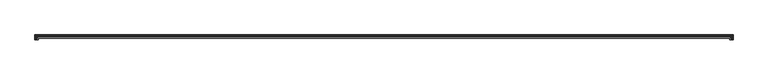
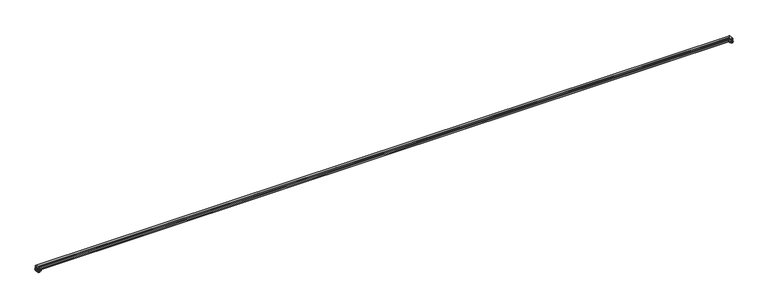
"""IFC4 building model written with IfcOpenShell, lengths in millimetres: railing geometry."""

from ifc_helpers import new_model, si_unit, frame, origin, place, context, project, spatial, polyline, circle_curve, ellipse_curve, faceted_brep, source, transform, mapped, element, save
from ifc_brep_helpers import plane_surface, cylinder_surface, revolved_surface, advanced_brep


def railing_67ba6527(model_context):
    return source(origin(), model_context, "Body", "SolidModel", [
        advanced_brep(
        [(1986.0187719, 25568.9290023, 815.9161973), (1986.0187719, 25568.9290023, 796.9838027), (-16454.6860281, 25568.9290023, 796.9838027), (-16454.6860281, 25568.9290023, 815.9161973), (1986.0187719, 25568.9290023, 807.339), (-16454.6860281, 25568.9290023, 807.339), (1983.9232719, 25566.8335023, 807.339), (-16452.5905281, 25566.8335023, 807.339), (1983.9232719, 25566.8335023, 808.4058), (-16452.5905281, 25566.8335023, 808.4058), (1982.9487911, 25565.8590215, 807.339), (-16451.6160473, 25565.8590215, 807.339), (1981.800296, 25564.7105263, 807.339), (-16450.4675521, 25564.7105263, 807.339), (1981.800296, 25564.7105263, 808.4058), (-16450.4675521, 25564.7105263, 808.4058), (1980.8258152, 25563.7360456, 807.339), (-16449.4930714, 25563.7360456, 807.339), (1979.67732, 25562.5875504, 807.339), (-16448.3445762, 25562.5875504, 807.339), (1979.67732, 25562.5875504, 808.4058), (-16448.3445762, 25562.5875504, 808.4058), (1977.8907719, 25560.8010023, 806.45), (-16446.5580281, 25560.8010023, 806.45), (1979.67732, 25562.5875504, 804.4942), (-16448.3445762, 25562.5875504, 804.4942), (1979.67732, 25562.5875504, 805.561), (-16448.3445762, 25562.5875504, 805.561), (1980.8258152, 25563.7360456, 805.561), (-16449.4930714, 25563.7360456, 805.561), (1981.800296, 25564.7105263, 804.4942), (-16450.4675521, 25564.7105263, 804.4942), (1981.800296, 25564.7105263, 805.561), (-16450.4675521, 25564.7105263, 805.561), (1982.9487911, 25565.8590215, 805.561), (-16451.6160473, 25565.8590215, 805.561), (1983.9232719, 25566.8335023, 804.4942), (-16452.5905281, 25566.8335023, 804.4942), (1983.9232719, 25566.8335023, 805.561), (-16452.5905281, 25566.8335023, 805.561), (1986.0187719, 25568.9290023, 805.561), (-16454.6860281, 25568.9290023, 805.561), (1986.0187719, 25441.7766023, 796.9838027), (1986.0187719, 25441.7766023, 815.9161973), (1986.0187719, 25441.7766023, 807.339), (1983.9232719, 25441.7766023, 807.339), (1983.9232719, 25441.7766023, 808.4058), (1982.9487911, 25441.7766023, 807.339), (1981.800296, 25441.7766023, 807.339), (1981.800296, 25441.7766023, 808.4058), (1980.8258152, 25441.7766023, 807.339), (1979.67732, 25441.7766023, 807.339), (1979.67732, 25441.7766023, 808.4058), (1977.8907719, 25441.7766023, 806.45), (1979.67732, 25441.7766023, 804.4942), (1979.67732, 25441.7766023, 805.561), (1980.8258152, 25441.7766023, 805.561), (1981.800296, 25441.7766023, 804.4942), (1981.800296, 25441.7766023, 805.561), (1982.9487911, 25441.7766023, 805.561), (1983.9232719, 25441.7766023, 804.4942), (1983.9232719, 25441.7766023, 805.561), (1986.0187719, 25441.7766023, 805.561), (-16454.6860281, 25441.7766023, 796.9838027), (-16454.6860281, 25441.7766023, 805.561), (-16452.5905281, 25441.7766023, 805.561), (-16452.5905281, 25441.7766023, 804.4942), (-16451.6160473, 25441.7766023, 805.561), (-16450.4675521, 25441.7766023, 805.561), (-16450.4675521, 25441.7766023, 804.4942), (-16449.4930714, 25441.7766023, 805.561), (-16448.3445762, 25441.7766023, 805.561), (-16448.3445762, 25441.7766023, 804.4942), (-16446.5580281, 25441.7766023, 806.45), (-16448.3445762, 25441.7766023, 808.4058), (-16448.3445762, 25441.7766023, 807.339), (-16449.4930714, 25441.7766023, 807.339), (-16450.4675521, 25441.7766023, 808.4058), (-16450.4675521, 25441.7766023, 807.339), (-16451.6160473, 25441.7766023, 807.339), (-16452.5905281, 25441.7766023, 808.4058), (-16452.5905281, 25441.7766023, 807.339), (-16454.6860281, 25441.7766023, 807.339), (-16454.6860281, 25441.7766023, 815.9161973)],
        [
            (0, 1, ellipse_curve(frame((1982.8775208, 25565.7877511, 806.45), z_axis=(-0.7071067811865461, 0.7071067811865488, 0.0), x_axis=(0.7071067811865489, 0.707106781186546, 0.0)), 14.1050594, 9.9737831)),
            (1, 2),
            (2, 3, ellipse_curve(frame((-16451.5447769, 25565.7877511, 806.45), z_axis=(0.7071067811865488, 0.7071067811865461, 0.0), x_axis=(0.7071067811865462, -0.7071067811865487, 0.0)), 14.1050594, 9.9737831)),
            (3, 0),
            (4, 0),
            (3, 5),
            (5, 4),
            (6, 4),
            (5, 7),
            (7, 6),
            (8, 6),
            (7, 9),
            (9, 8),
            (10, 8),
            (9, 11),
            (11, 10),
            (12, 10),
            (11, 13),
            (13, 12),
            (14, 12),
            (13, 15),
            (15, 14),
            (16, 14),
            (15, 17),
            (17, 16),
            (18, 16),
            (17, 19),
            (19, 18),
            (20, 18),
            (19, 21),
            (21, 20),
            (22, 20),
            (21, 23),
            (23, 22),
            (24, 22),
            (23, 25),
            (25, 24),
            (26, 24),
            (25, 27),
            (27, 26),
            (28, 26),
            (27, 29),
            (29, 28),
            (30, 28),
            (29, 31),
            (31, 30),
            (32, 30),
            (31, 33),
            (33, 32),
            (34, 32),
            (33, 35),
            (35, 34),
            (36, 34),
            (35, 37),
            (37, 36),
            (38, 36),
            (37, 39),
            (39, 38),
            (40, 38),
            (39, 41),
            (41, 40),
            (1, 40),
            (41, 2),
            (42, 43, circle_curve(frame((1982.8775208, 25441.7766023, 806.45), z_axis=(0.0, -1.0, 0.0), x_axis=(0.3457062108082324, 0.0, 0.9383428029289798)), 9.9737831)),
            (43, 44),
            (44, 45),
            (45, 46),
            (46, 47),
            (47, 48),
            (48, 49),
            (49, 50),
            (50, 51),
            (51, 52),
            (52, 53),
            (53, 54),
            (54, 55),
            (55, 56),
            (56, 57),
            (57, 58),
            (58, 59),
            (59, 60),
            (60, 61),
            (61, 62),
            (62, 42),
            (42, 1),
            (0, 43),
            (4, 44),
            (6, 45),
            (8, 46),
            (10, 47),
            (12, 48),
            (14, 49),
            (16, 50),
            (18, 51),
            (20, 52),
            (22, 53),
            (24, 54),
            (26, 55),
            (28, 56),
            (30, 57),
            (32, 58),
            (34, 59),
            (36, 60),
            (38, 61),
            (40, 62),
            (63, 64),
            (64, 65),
            (65, 66),
            (66, 67),
            (67, 68),
            (68, 69),
            (69, 70),
            (70, 71),
            (71, 72),
            (72, 73),
            (73, 74),
            (74, 75),
            (75, 76),
            (76, 77),
            (77, 78),
            (78, 79),
            (79, 80),
            (80, 81),
            (81, 82),
            (82, 83),
            (83, 63, circle_curve(frame((-16451.5447769, 25441.7766023, 806.45), z_axis=(0.0, -1.0, 0.0), x_axis=(-0.3457062108082324, 0.0, 0.9383428029289798)), 9.9737831)),
            (2, 63),
            (83, 3),
            (82, 5),
            (81, 7),
            (80, 9),
            (79, 11),
            (78, 13),
            (77, 15),
            (76, 17),
            (75, 19),
            (74, 21),
            (73, 23),
            (72, 25),
            (71, 27),
            (70, 29),
            (69, 31),
            (68, 33),
            (67, 35),
            (66, 37),
            (65, 39),
            (64, 41),
        ],
        [
            cylinder_surface(frame((1985.8663719, 25565.7877511, 806.45), z_axis=(1.0000000000000002, 0.0, 0.0), x_axis=(0.0, 0.3457062108082324, 0.9383428029289798)), 9.9737831),
            plane_surface(frame((1986.0187719, 25568.9290023, 815.9161973), z_axis=(0.0, -1.0, 0.0), x_axis=(-1.0, 0.0, 0.0))),
            plane_surface(frame((1986.0187719, 25568.9290023, 807.339), z_axis=(0.0, 0.0, 1.0), x_axis=(-1.0, 0.0, 0.0))),
            plane_surface(frame((1983.9232719, 25566.8335023, 807.339), z_axis=(0.0, 1.0, 0.0), x_axis=(-1.0, 0.0, 0.0))),
            plane_surface(frame((1983.9232719, 25566.8335023, 808.4058), z_axis=(0.0, -0.7383317776040287, 0.674437681465141), x_axis=(-1.0, 0.0, 0.0))),
            plane_surface(frame((1982.9487911, 25565.8590215, 807.339), z_axis=(0.0, 0.0, 1.0), x_axis=(-1.0, 0.0, 0.0))),
            plane_surface(frame((1981.800296, 25564.7105263, 807.339), z_axis=(0.0, 1.0, 0.0), x_axis=(-1.0, 0.0, 0.0))),
            plane_surface(frame((1981.800296, 25564.7105263, 808.4058), z_axis=(0.0, -0.7383317776039354, 0.6744376814652432), x_axis=(-1.0, 0.0, 0.0))),
            plane_surface(frame((1980.8258152, 25563.7360456, 807.339), z_axis=(0.0, 0.0, 1.0), x_axis=(-1.0, 0.0, 0.0))),
            plane_surface(frame((1979.67732, 25562.5875504, 807.339), z_axis=(0.0, 1.0, 0.0), x_axis=(-1.0, 0.0, 0.0))),
            plane_surface(frame((1979.67732, 25562.5875504, 808.4058), z_axis=(0.0, -0.738331777604045, 0.6744376814651233), x_axis=(-1.0, 0.0, 0.0))),
            plane_surface(frame((1977.8907719, 25560.8010023, 806.45), z_axis=(0.0, -0.738331777604045, -0.6744376814651233), x_axis=(-1.0, 0.0, 0.0))),
            plane_surface(frame((1979.67732, 25562.5875504, 804.4942), z_axis=(0.0, 1.0, 0.0), x_axis=(-1.0, 0.0, 0.0))),
            plane_surface(frame((1979.67732, 25562.5875504, 805.561), z_axis=(0.0, 0.0, -1.0), x_axis=(-1.0, 0.0, 0.0))),
            plane_surface(frame((1980.8258152, 25563.7360456, 805.561), z_axis=(0.0, -0.738331777604122, -0.674437681465039), x_axis=(-1.0, 0.0, 0.0))),
            plane_surface(frame((1981.800296, 25564.7105263, 804.4942), z_axis=(0.0, 1.0, 0.0), x_axis=(-1.0, 0.0, 0.0))),
            plane_surface(frame((1981.800296, 25564.7105263, 805.561), z_axis=(0.0, 0.0, -1.0), x_axis=(-1.0, 0.0, 0.0))),
            plane_surface(frame((1982.9487911, 25565.8590215, 805.561), z_axis=(0.0, -0.7383317776039354, -0.6744376814652432), x_axis=(-1.0, 0.0, 0.0))),
            plane_surface(frame((1983.9232719, 25566.8335023, 804.4942), z_axis=(0.0, 1.0, 0.0), x_axis=(-1.0, 0.0, 0.0))),
            plane_surface(frame((1983.9232719, 25566.8335023, 805.561), z_axis=(0.0, 0.0, -1.0), x_axis=(-1.0, 0.0, 0.0))),
            plane_surface(frame((1986.0187719, 25568.9290023, 805.561), z_axis=(0.0, -1.0, 0.0), x_axis=(-1.0, 0.0, 0.0))),
            plane_surface(frame((1985.8663719, 25441.7766023, 914.4), z_axis=(0.0, -1.0, 0.0), x_axis=(0.0, 0.0, 1.0))),
            cylinder_surface(frame((1982.8775208, 25441.7766023, 806.45), z_axis=(0.0, -1.0000000000000002, 0.0), x_axis=(0.3457062108082324, 0.0, 0.9383428029289798)), 9.9737831),
            plane_surface(frame((1986.0187719, 25441.7766023, 815.9161973), z_axis=(-1.0, 0.0, 0.0), x_axis=(0.0, 1.0, 0.0))),
            plane_surface(frame((1986.0187719, 25441.7766023, 807.339), z_axis=(0.0, 0.0, 1.0), x_axis=(0.0, 1.0, 0.0))),
            plane_surface(frame((1983.9232719, 25441.7766023, 807.339), z_axis=(1.0, 0.0, 0.0), x_axis=(0.0, 1.0, 0.0))),
            plane_surface(frame((1983.9232719, 25441.7766023, 808.4058), z_axis=(-0.7383317776040287, 0.0, 0.674437681465141), x_axis=(0.0, 1.0, 0.0))),
            plane_surface(frame((1982.9487911, 25441.7766023, 807.339), z_axis=(0.0, 0.0, 1.0), x_axis=(0.0, 1.0, 0.0))),
            plane_surface(frame((1981.800296, 25441.7766023, 807.339), z_axis=(1.0, 0.0, 0.0), x_axis=(0.0, 1.0, 0.0))),
            plane_surface(frame((1981.800296, 25441.7766023, 808.4058), z_axis=(-0.7383317776039354, 0.0, 0.6744376814652432), x_axis=(0.0, 1.0, 0.0))),
            plane_surface(frame((1980.8258152, 25441.7766023, 807.339), z_axis=(0.0, 0.0, 1.0), x_axis=(0.0, 1.0, 0.0))),
            plane_surface(frame((1979.67732, 25441.7766023, 807.339), z_axis=(1.0, 0.0, 0.0), x_axis=(0.0, 1.0, 0.0))),
            plane_surface(frame((1979.67732, 25441.7766023, 808.4058), z_axis=(-0.738331777604045, 0.0, 0.6744376814651233), x_axis=(0.0, 1.0, 0.0))),
            plane_surface(frame((1977.8907719, 25441.7766023, 806.45), z_axis=(-0.738331777604045, 0.0, -0.6744376814651233), x_axis=(0.0, 1.0, 0.0))),
            plane_surface(frame((1979.67732, 25441.7766023, 804.4942), z_axis=(1.0, 0.0, 0.0), x_axis=(0.0, 1.0, 0.0))),
            plane_surface(frame((1979.67732, 25441.7766023, 805.561), z_axis=(0.0, 0.0, -1.0), x_axis=(0.0, 1.0, 0.0))),
            plane_surface(frame((1980.8258152, 25441.7766023, 805.561), z_axis=(-0.738331777604122, 0.0, -0.674437681465039), x_axis=(0.0, 1.0, 0.0))),
            plane_surface(frame((1981.800296, 25441.7766023, 804.4942), z_axis=(1.0, 0.0, 0.0), x_axis=(0.0, 1.0, 0.0))),
            plane_surface(frame((1981.800296, 25441.7766023, 805.561), z_axis=(0.0, 0.0, -1.0), x_axis=(0.0, 1.0, 0.0))),
            plane_surface(frame((1982.9487911, 25441.7766023, 805.561), z_axis=(-0.7383317776039354, 0.0, -0.6744376814652432), x_axis=(0.0, 1.0, 0.0))),
            plane_surface(frame((1983.9232719, 25441.7766023, 804.4942), z_axis=(1.0, 0.0, 0.0), x_axis=(0.0, 1.0, 0.0))),
            plane_surface(frame((1983.9232719, 25441.7766023, 805.561), z_axis=(0.0, 0.0, -1.0), x_axis=(0.0, 1.0, 0.0))),
            plane_surface(frame((1986.0187719, 25441.7766023, 805.561), z_axis=(-1.0, 0.0, 0.0), x_axis=(0.0, 1.0, 0.0))),
            plane_surface(frame((-16454.5336281, 25441.7766023, 914.4), z_axis=(0.0, -1.0, 0.0), x_axis=(0.0, 0.0, -1.0))),
            cylinder_surface(frame((-16451.5447769, 25568.7766023, 806.45), z_axis=(0.0, 1.0000000000000002, 0.0), x_axis=(-0.3457062108082324, 0.0, 0.9383428029289798)), 9.9737831),
            plane_surface(frame((-16454.6860281, 25568.9290023, 815.9161973), z_axis=(1.0, 0.0, 0.0), x_axis=(0.0, -1.0, 0.0))),
            plane_surface(frame((-16454.6860281, 25568.9290023, 807.339), z_axis=(0.0, 0.0, 1.0), x_axis=(0.0, -1.0, 0.0))),
            plane_surface(frame((-16452.5905281, 25566.8335023, 807.339), z_axis=(-1.0, 0.0, 0.0), x_axis=(0.0, -1.0, 0.0))),
            plane_surface(frame((-16452.5905281, 25566.8335023, 808.4058), z_axis=(0.7383317776040287, 0.0, 0.674437681465141), x_axis=(0.0, -1.0, 0.0))),
            plane_surface(frame((-16451.6160473, 25565.8590215, 807.339), z_axis=(0.0, 0.0, 1.0), x_axis=(0.0, -1.0, 0.0))),
            plane_surface(frame((-16450.4675521, 25564.7105263, 807.339), z_axis=(-1.0, 0.0, 0.0), x_axis=(0.0, -1.0, 0.0))),
            plane_surface(frame((-16450.4675521, 25564.7105263, 808.4058), z_axis=(0.7383317776039354, 0.0, 0.6744376814652432), x_axis=(0.0, -1.0, 0.0))),
            plane_surface(frame((-16449.4930714, 25563.7360456, 807.339), z_axis=(0.0, 0.0, 1.0), x_axis=(0.0, -1.0, 0.0))),
            plane_surface(frame((-16448.3445762, 25562.5875504, 807.339), z_axis=(-1.0, 0.0, 0.0), x_axis=(0.0, -1.0, 0.0))),
            plane_surface(frame((-16448.3445762, 25562.5875504, 808.4058), z_axis=(0.738331777604045, 0.0, 0.6744376814651233), x_axis=(0.0, -1.0, 0.0))),
            plane_surface(frame((-16446.5580281, 25560.8010023, 806.45), z_axis=(0.738331777604045, 0.0, -0.6744376814651233), x_axis=(0.0, -1.0, 0.0))),
            plane_surface(frame((-16448.3445762, 25562.5875504, 804.4942), z_axis=(-1.0, 0.0, 0.0), x_axis=(0.0, -1.0, 0.0))),
            plane_surface(frame((-16448.3445762, 25562.5875504, 805.561), z_axis=(0.0, 0.0, -1.0), x_axis=(0.0, -1.0, 0.0))),
            plane_surface(frame((-16449.4930714, 25563.7360456, 805.561), z_axis=(0.738331777604122, 0.0, -0.674437681465039), x_axis=(0.0, -1.0, 0.0))),
            plane_surface(frame((-16450.4675521, 25564.7105263, 804.4942), z_axis=(-1.0, 0.0, 0.0), x_axis=(0.0, -1.0, 0.0))),
            plane_surface(frame((-16450.4675521, 25564.7105263, 805.561), z_axis=(0.0, 0.0, -1.0), x_axis=(0.0, -1.0, 0.0))),
            plane_surface(frame((-16451.6160473, 25565.8590215, 805.561), z_axis=(0.7383317776039354, 0.0, -0.6744376814652432), x_axis=(0.0, -1.0, 0.0))),
            plane_surface(frame((-16452.5905281, 25566.8335023, 804.4942), z_axis=(-1.0, 0.0, 0.0), x_axis=(0.0, -1.0, 0.0))),
            plane_surface(frame((-16452.5905281, 25566.8335023, 805.561), z_axis=(0.0, 0.0, -1.0), x_axis=(0.0, -1.0, 0.0))),
            plane_surface(frame((-16454.6860281, 25568.9290023, 805.561), z_axis=(1.0, 0.0, 0.0), x_axis=(0.0, -1.0, 0.0))),
        ],
        [
            (0, [[1, 2, 3, 4]]),
            (1, [[5, -4, 6, 7]]),
            (2, [[8, -7, 9, 10]]),
            (3, [[11, -10, 12, 13]]),
            (4, [[14, -13, 15, 16]]),
            (5, [[17, -16, 18, 19]]),
            (6, [[20, -19, 21, 22]]),
            (7, [[23, -22, 24, 25]]),
            (8, [[26, -25, 27, 28]]),
            (9, [[29, -28, 30, 31]]),
            (10, [[32, -31, 33, 34]]),
            (11, [[35, -34, 36, 37]]),
            (12, [[38, -37, 39, 40]]),
            (13, [[41, -40, 42, 43]]),
            (14, [[44, -43, 45, 46]]),
            (15, [[47, -46, 48, 49]]),
            (16, [[50, -49, 51, 52]]),
            (17, [[53, -52, 54, 55]]),
            (18, [[56, -55, 57, 58]]),
            (19, [[59, -58, 60, 61]]),
            (20, [[62, -61, 63, -2]]),
            (21, [[64, 65, 66, 67, 68, 69, 70, 71, 72, 73, 74, 75, 76, 77, 78, 79, 80, 81, 82, 83, 84]]),
            (22, [[-64, 85, -1, 86]]),
            (23, [[-65, -86, -5, 87]]),
            (24, [[-66, -87, -8, 88]]),
            (25, [[-67, -88, -11, 89]]),
            (26, [[-68, -89, -14, 90]]),
            (27, [[-69, -90, -17, 91]]),
            (28, [[-70, -91, -20, 92]]),
            (29, [[-71, -92, -23, 93]]),
            (30, [[-72, -93, -26, 94]]),
            (31, [[-73, -94, -29, 95]]),
            (32, [[-74, -95, -32, 96]]),
            (33, [[-75, -96, -35, 97]]),
            (34, [[-76, -97, -38, 98]]),
            (35, [[-77, -98, -41, 99]]),
            (36, [[-78, -99, -44, 100]]),
            (37, [[-79, -100, -47, 101]]),
            (38, [[-80, -101, -50, 102]]),
            (39, [[-81, -102, -53, 103]]),
            (40, [[-82, -103, -56, 104]]),
            (41, [[-83, -104, -59, 105]]),
            (42, [[-84, -105, -62, -85]]),
            (43, [[106, 107, 108, 109, 110, 111, 112, 113, 114, 115, 116, 117, 118, 119, 120, 121, 122, 123, 124, 125, 126]]),
            (44, [[-3, 127, -126, 128]]),
            (45, [[-6, -128, -125, 129]]),
            (46, [[-9, -129, -124, 130]]),
            (47, [[-12, -130, -123, 131]]),
            (48, [[-15, -131, -122, 132]]),
            (49, [[-18, -132, -121, 133]]),
            (50, [[-21, -133, -120, 134]]),
            (51, [[-24, -134, -119, 135]]),
            (52, [[-27, -135, -118, 136]]),
            (53, [[-30, -136, -117, 137]]),
            (54, [[-33, -137, -116, 138]]),
            (55, [[-36, -138, -115, 139]]),
            (56, [[-39, -139, -114, 140]]),
            (57, [[-42, -140, -113, 141]]),
            (58, [[-45, -141, -112, 142]]),
            (59, [[-48, -142, -111, 143]]),
            (60, [[-51, -143, -110, 144]]),
            (61, [[-54, -144, -109, 145]]),
            (62, [[-57, -145, -108, 146]]),
            (63, [[-60, -146, -107, 147]]),
            (64, [[-63, -147, -106, -127]]),
        ],
    ),
        faceted_brep([(1979.5163719, 25562.4266023, 831.850148), (1985.8663719, 25568.7766023, 831.850148), (-16454.5336281, 25568.7766023, 831.850148), (-16448.1836281, 25562.4266023, 831.850148), (1979.5163719, 25562.4266023, 819.150148), (-16448.1836281, 25562.4266023, 819.150148), (1985.8663719, 25568.7766023, 819.150148), (-16454.5336281, 25568.7766023, 819.150148), (1985.8663719, 25441.7766023, 831.850148), (1979.5163719, 25441.7766023, 831.850148), (1979.5163719, 25441.7766023, 819.150148), (1985.8663719, 25441.7766023, 819.150148), (-16454.5336281, 25441.7766023, 831.850148), (-16454.5336281, 25441.7766023, 819.150148), (-16448.1836281, 25441.7766023, 819.150148), (-16448.1836281, 25441.7766023, 831.850148)], [[[0, 1, 2, 3]], [[4, 0, 3, 5]], [[6, 4, 5, 7]], [[1, 6, 7, 2]], [[8, 9, 10, 11]], [[9, 8, 1, 0]], [[10, 9, 0, 4]], [[11, 10, 4, 6]], [[8, 11, 6, 1]], [[12, 13, 14, 15]], [[3, 2, 12, 15]], [[5, 3, 15, 14]], [[7, 5, 14, 13]], [[2, 7, 13, 12]]]),
        advanced_brep(
        [(1956.8976719, 25539.8079023, 840.2579086), (1948.4394719, 25531.3497023, 840.2579086), (-16417.1067281, 25531.3497023, 840.2579086), (-16425.5649281, 25539.8079023, 840.2579086), (1956.8976719, 25539.8079023, 834.8469573), (-16425.5649281, 25539.8079023, 834.8469573), (1960.3127349, 25543.2229653, 834.2447895), (-16428.9799911, 25543.2229653, 834.2447895), (1964.8832156, 25547.793446, 826.3284847), (-16433.5504718, 25547.793446, 826.3284847), (1956.9241669, 25539.8343973, 812.6345258), (-16425.5914231, 25539.8343973, 812.6345258), (1956.8955515, 25539.8057819, 806.45), (-16425.5628077, 25539.8057819, 806.45), (1946.1788719, 25529.0891023, 806.45), (-16414.8461281, 25529.0891023, 806.45), (1946.1788719, 25529.0891023, 776.2875), (-16414.8461281, 25529.0891023, 776.2875), (1947.7663719, 25530.6766023, 774.7), (-16416.4336281, 25530.6766023, 774.7), (1984.2788719, 25567.1891023, 774.7), (-16452.9461281, 25567.1891023, 774.7), (1985.4014039, 25568.3116343, 775.164968), (-16454.0686601, 25568.3116343, 775.164968), (1985.8663719, 25568.7766023, 776.2875), (-16454.5336281, 25568.7766023, 776.2875), (1985.8663719, 25568.7766023, 804.672), (-16454.5336281, 25568.7766023, 804.672), (1974.7538719, 25557.6641023, 804.672), (-16443.4211281, 25557.6641023, 804.672), (1974.7538719, 25557.6641023, 808.228), (-16443.4211281, 25557.6641023, 808.228), (1985.8663719, 25568.7766023, 808.228), (-16454.5336281, 25568.7766023, 808.228), (1985.8663719, 25568.7766023, 819.150148), (-16454.5336281, 25568.7766023, 819.150148), (1973.1663719, 25556.0766023, 819.150148), (-16441.8336281, 25556.0766023, 819.150148), (1973.1663719, 25556.0766023, 831.850148), (-16441.8336281, 25556.0766023, 831.850148), (1985.8924275, 25568.8026579, 831.850148), (-16454.5596836, 25568.8026579, 831.850148), (1985.8663719, 25568.7766023, 852.5885849), (-16454.5336281, 25568.7766023, 852.5885849), (1985.1457721, 25568.0560025, 853.9184873), (-16453.8130283, 25568.0560025, 853.9184873), (1980.9382144, 25563.8484448, 885.7421059), (-16449.6054705, 25563.8484448, 885.7421059), (1983.9711878, 25566.8814182, 891.9400009), (-16452.638444, 25566.8814182, 891.9400009), (1956.9989285, 25539.9091589, 878.1694723), (-16425.6661847, 25539.9091589, 878.1694723), (1960.5066632, 25543.4168936, 871.3258502), (-16429.1739193, 25543.4168936, 871.3258502), (1949.0980284, 25532.0082588, 853.1793568), (-16417.7652846, 25532.0082588, 853.1793568), (1948.4394719, 25531.3497023, 851.8920261), (-16417.1067281, 25531.3497023, 851.8920261), (1948.4394719, 25441.7766023, 840.2579086), (1956.8976719, 25441.7766023, 840.2579086), (1956.8976719, 25441.7766023, 834.8469573), (1960.3127349, 25441.7766023, 834.2447895), (1964.8832156, 25441.7766023, 826.3284847), (1956.9241669, 25441.7766023, 812.6345258), (1956.8955515, 25441.7766023, 806.45), (1946.1788719, 25441.7766023, 806.45), (1946.1788719, 25441.7766023, 776.2875), (1947.7663719, 25441.7766023, 774.7), (1984.2788719, 25441.7766023, 774.7), (1985.4014039, 25441.7766023, 775.164968), (1985.8663719, 25441.7766023, 776.2875), (1985.8663719, 25441.7766023, 804.672), (1974.7538719, 25441.7766023, 804.672), (1974.7538719, 25441.7766023, 808.228), (1985.8663719, 25441.7766023, 808.228), (1985.8663719, 25441.7766023, 819.150148), (1973.1663719, 25441.7766023, 819.150148), (1973.1663719, 25441.7766023, 831.850148), (1985.8924275, 25441.7766023, 831.850148), (1985.8663719, 25441.7766023, 852.5885849), (1985.1457721, 25441.7766023, 853.9184873), (1980.9382144, 25441.7766023, 885.7421059), (1983.9711878, 25441.7766023, 891.9400009), (1956.9989285, 25441.7766023, 878.1694723), (1960.5066632, 25441.7766023, 871.3258502), (1949.0980284, 25441.7766023, 853.1793568), (1948.4394719, 25441.7766023, 851.8920261), (-16417.1067281, 25441.7766023, 840.2579086), (-16417.1067281, 25441.7766023, 851.8920261), (-16417.7652846, 25441.7766023, 853.1793568), (-16429.1739193, 25441.7766023, 871.3258502), (-16425.6661847, 25441.7766023, 878.1694723), (-16452.638444, 25441.7766023, 891.9400009), (-16449.6054705, 25441.7766023, 885.7421059), (-16453.8130283, 25441.7766023, 853.9184873), (-16454.5336281, 25441.7766023, 852.5885849), (-16454.5596836, 25441.7766023, 831.850148), (-16441.8336281, 25441.7766023, 831.850148), (-16441.8336281, 25441.7766023, 819.150148), (-16454.5336281, 25441.7766023, 819.150148), (-16454.5336281, 25441.7766023, 808.228), (-16443.4211281, 25441.7766023, 808.228), (-16443.4211281, 25441.7766023, 804.672), (-16454.5336281, 25441.7766023, 804.672), (-16454.5336281, 25441.7766023, 776.2875), (-16454.0686601, 25441.7766023, 775.164968), (-16452.9461281, 25441.7766023, 774.7), (-16416.4336281, 25441.7766023, 774.7), (-16414.8461281, 25441.7766023, 776.2875), (-16414.8461281, 25441.7766023, 806.45), (-16425.5628077, 25441.7766023, 806.45), (-16425.5914231, 25441.7766023, 812.6345258), (-16433.5504718, 25441.7766023, 826.3284847), (-16428.9799911, 25441.7766023, 834.2447895), (-16425.5649281, 25441.7766023, 834.8469573), (-16425.5649281, 25441.7766023, 840.2579086)],
        [
            (0, 1),
            (1, 2),
            (2, 3),
            (3, 0),
            (4, 0),
            (3, 5),
            (5, 4),
            (6, 4),
            (5, 7),
            (7, 6),
            (8, 6),
            (7, 9),
            (9, 8),
            (10, 8),
            (9, 11),
            (11, 10),
            (12, 10),
            (11, 13),
            (13, 12),
            (14, 12),
            (13, 15),
            (15, 14),
            (16, 14),
            (15, 17),
            (17, 16),
            (18, 16, ellipse_curve(frame((1947.7663719, 25530.6766023, 776.2875), z_axis=(-0.7071067811865461, 0.7071067811865488, 0.0), x_axis=(0.7071067811865489, 0.707106781186546, 0.0)), 2.245064, 1.5875)),
            (17, 19, ellipse_curve(frame((-16416.4336281, 25530.6766023, 776.2875), z_axis=(0.7071067811865488, 0.7071067811865461, 0.0), x_axis=(0.7071067811865462, -0.7071067811865487, 0.0)), 2.245064, 1.5875)),
            (19, 18),
            (20, 18),
            (19, 21),
            (21, 20),
            (22, 20, ellipse_curve(frame((1984.2059244, 25567.1161548, 776.4636109), z_axis=(-0.7071067811865461, 0.7071067811865488, 0.0), x_axis=(0.7071067811865489, 0.707106781186546, 0.0)), 2.4962551, 1.7651189)),
            (21, 23, ellipse_curve(frame((-16452.8731806, 25567.1161548, 776.4636109), z_axis=(0.7071067811865488, 0.7071067811865461, 0.0), x_axis=(0.7071067811865462, -0.7071067811865487, 0.0)), 2.4962551, 1.7651189)),
            (23, 22),
            (24, 22, ellipse_curve(frame((1984.2788719, 25567.1891023, 776.2875), z_axis=(-0.7071067811865461, 0.7071067811865488, 0.0), x_axis=(0.7071067811865489, 0.707106781186546, 0.0)), 2.245064, 1.5875)),
            (23, 25, ellipse_curve(frame((-16452.9461281, 25567.1891023, 776.2875), z_axis=(0.7071067811865488, 0.7071067811865461, 0.0), x_axis=(0.7071067811865462, -0.7071067811865487, 0.0)), 2.245064, 1.5875)),
            (25, 24),
            (26, 24),
            (25, 27),
            (27, 26),
            (28, 26),
            (27, 29),
            (29, 28),
            (30, 28),
            (29, 31),
            (31, 30),
            (32, 30),
            (31, 33),
            (33, 32),
            (34, 32),
            (33, 35),
            (35, 34),
            (36, 34),
            (35, 37),
            (37, 36),
            (38, 36),
            (37, 39),
            (39, 38),
            (40, 38),
            (39, 41),
            (41, 40),
            (42, 40),
            (41, 43),
            (43, 42),
            (44, 42, ellipse_curve(frame((1984.2788719, 25567.1891023, 852.5885849), z_axis=(-0.7071067811865461, 0.7071067811865488, 0.0), x_axis=(0.7071067811865489, 0.707106781186546, 0.0)), 2.245064, 1.5875)),
            (43, 45, ellipse_curve(frame((-16452.9461281, 25567.1891023, 852.5885849), z_axis=(0.7071067811865488, 0.7071067811865461, 0.0), x_axis=(0.7071067811865462, -0.7071067811865487, 0.0)), 2.245064, 1.5875)),
            (45, 44),
            (46, 44, ellipse_curve(frame((1996.6945671, 25579.6047975, 871.6353708), z_axis=(0.7071067811865461, -0.7071067811865488, 0.0), x_axis=(-0.7071067811865489, -0.707106781186546, 0.0)), 29.9086151, 21.1485845)),
            (45, 47, ellipse_curve(frame((-16465.3618232, 25579.6047975, 871.6353708), z_axis=(-0.7071067811865488, -0.7071067811865461, 0.0), x_axis=(-0.7071067811865462, 0.7071067811865487, 0.0)), 29.9086151, 21.1485845)),
            (47, 46),
            (48, 46, ellipse_curve(frame((1971.4763197, 25554.3865501, 894.2133838), z_axis=(-0.7071067811865461, 0.7071067811865488, 0.0), x_axis=(0.7071067811865489, 0.707106781186546, 0.0)), 17.9605122, 12.7)),
            (47, 49, ellipse_curve(frame((-16440.1435759, 25554.3865501, 894.2133838), z_axis=(0.7071067811865488, 0.7071067811865461, 0.0), x_axis=(0.7071067811865462, -0.7071067811865487, 0.0)), 17.9605122, 12.7)),
            (49, 48),
            (50, 48, ellipse_curve(frame((1965.2288282, 25548.1390585, 895.3500857), z_axis=(-0.7071067811865461, 0.7071067811865488, 0.0), x_axis=(0.7071067811865489, 0.707106781186546, 0.0)), 26.940851, 19.0500584)),
            (49, 51, ellipse_curve(frame((-16433.8960843, 25548.1390585, 895.3500857), z_axis=(0.7071067811865488, 0.7071067811865461, 0.0), x_axis=(0.7071067811865462, -0.7071067811865487, 0.0)), 26.940851, 19.0500584)),
            (51, 50),
            (52, 50, ellipse_curve(frame((1954.255637, 25537.1658674, 872.4426187), z_axis=(0.7071067811865461, -0.7071067811865488, 0.0), x_axis=(-0.7071067811865489, -0.707106781186546, 0.0)), 8.9802561, 6.35)),
            (51, 53, ellipse_curve(frame((-16422.9228932, 25537.1658674, 872.4426187), z_axis=(-0.7071067811865488, -0.7071067811865461, 0.0), x_axis=(-0.7071067811865462, 0.7071067811865487, 0.0)), 8.9802561, 6.35)),
            (53, 52),
            (54, 52, ellipse_curve(frame((1932.3770455, 25515.2872759, 876.3513087), z_axis=(0.7071067811865461, -0.7071067811865488, 0.0), x_axis=(-0.7071067811865489, -0.707106781186546, 0.0)), 40.4111525, 28.575)),
            (53, 55, ellipse_curve(frame((-16401.0443016, 25515.2872759, 876.3513087), z_axis=(-0.7071067811865488, -0.7071067811865461, 0.0), x_axis=(-0.7071067811865462, 0.7071067811865487, 0.0)), 40.4111525, 28.575)),
            (55, 54),
            (56, 54, ellipse_curve(frame((1950.0269719, 25532.9372023, 851.8920261), z_axis=(-0.7071067811865461, 0.7071067811865488, 0.0), x_axis=(0.7071067811865489, 0.707106781186546, 0.0)), 2.245064, 1.5875)),
            (55, 57, ellipse_curve(frame((-16418.6942281, 25532.9372023, 851.8920261), z_axis=(0.7071067811865488, 0.7071067811865461, 0.0), x_axis=(0.7071067811865462, -0.7071067811865487, 0.0)), 2.245064, 1.5875)),
            (57, 56),
            (1, 56),
            (57, 2),
            (58, 59),
            (59, 60),
            (60, 61),
            (61, 62),
            (62, 63),
            (63, 64),
            (64, 65),
            (65, 66),
            (66, 67, circle_curve(frame((1947.7663719, 25441.7766023, 776.2875), z_axis=(0.0, -1.0, 0.0), x_axis=(-1.0, 0.0, 0.0)), 1.5875)),
            (67, 68),
            (68, 69, circle_curve(frame((1984.2059244, 25441.7766023, 776.4636109), z_axis=(0.0, -1.0, 0.0), x_axis=(0.041327262316320536, 0.0, -0.9991456637495046)), 1.7651189)),
            (69, 70, circle_curve(frame((1984.2788719, 25441.7766023, 776.2875), z_axis=(0.0, -1.0, 0.0), x_axis=(0.7071067829669687, 0.0, -0.7071067794061264)), 1.5875)),
            (70, 71),
            (71, 72),
            (72, 73),
            (73, 74),
            (74, 75),
            (75, 76),
            (76, 77),
            (77, 78),
            (78, 79),
            (79, 80, circle_curve(frame((1984.2788719, 25441.7766023, 852.5885849), z_axis=(0.0, -1.0, 0.0), x_axis=(0.546078862048591, 0.0, 0.8377337741930404)), 1.5875)),
            (80, 81, circle_curve(frame((1996.6945671, 25441.7766023, 871.6353708), z_axis=(0.0, 1.0, 0.0), x_axis=(-0.7450310773324585, 0.0, 0.6670297548152078)), 21.1485845)),
            (81, 82, circle_curve(frame((1971.4763197, 25441.7766023, 894.2133838), z_axis=(0.0, -1.0, 0.0), x_axis=(0.9838500427193763, 0.0, -0.17899467433720373)), 12.7)),
            (82, 83, circle_curve(frame((1965.2288282, 25441.7766023, 895.3500857), z_axis=(0.0, -1.0, 0.0), x_axis=(-0.4320135004839699, 0.0, -0.9018671384409053)), 19.0500584)),
            (83, 84, circle_curve(frame((1954.255637, 25441.7766023, 872.4426187), z_axis=(0.0, 1.0, 0.0), x_axis=(0.9844135678090973, 0.0, -0.1758690635483223)), 6.35)),
            (84, 85, circle_curve(frame((1932.3770455, 25441.7766023, 876.3513087), z_axis=(0.0, 1.0, 0.0), x_axis=(0.5851612580805459, 0.0, -0.8109169513837979)), 28.575)),
            (85, 86, circle_curve(frame((1950.0269719, 25441.7766023, 851.8920261), z_axis=(0.0, -1.0, 0.0), x_axis=(-1.0, 0.0, 0.0)), 1.5875)),
            (86, 58),
            (58, 1),
            (0, 59),
            (4, 60),
            (6, 61),
            (8, 62),
            (10, 63),
            (12, 64),
            (14, 65),
            (16, 66),
            (18, 67),
            (20, 68),
            (22, 69),
            (24, 70),
            (26, 71),
            (28, 72),
            (30, 73),
            (32, 74),
            (34, 75),
            (36, 76),
            (38, 77),
            (40, 78),
            (42, 79),
            (44, 80),
            (46, 81),
            (48, 82),
            (50, 83),
            (52, 84),
            (54, 85),
            (56, 86),
            (87, 88),
            (88, 89, circle_curve(frame((-16418.6942281, 25441.7766023, 851.8920261), z_axis=(0.0, -1.0, 0.0), x_axis=(1.0, 0.0, 0.0)), 1.5875)),
            (89, 90, circle_curve(frame((-16401.0443016, 25441.7766023, 876.3513087), z_axis=(0.0, 1.0, 0.0), x_axis=(-0.5851612580805459, 0.0, -0.8109169513837979)), 28.575)),
            (90, 91, circle_curve(frame((-16422.9228932, 25441.7766023, 872.4426187), z_axis=(0.0, 1.0, 0.0), x_axis=(-0.9844135678090973, 0.0, -0.1758690635483223)), 6.35)),
            (91, 92, circle_curve(frame((-16433.8960843, 25441.7766023, 895.3500857), z_axis=(0.0, -1.0, 0.0), x_axis=(0.4320135004839699, 0.0, -0.9018671384409053)), 19.0500584)),
            (92, 93, circle_curve(frame((-16440.1435759, 25441.7766023, 894.2133838), z_axis=(0.0, -1.0, 0.0), x_axis=(-0.9838500427193763, 0.0, -0.17899467433720373)), 12.7)),
            (93, 94, circle_curve(frame((-16465.3618232, 25441.7766023, 871.6353708), z_axis=(0.0, 1.0, 0.0), x_axis=(0.7450310773324585, 0.0, 0.6670297548152078)), 21.1485845)),
            (94, 95, circle_curve(frame((-16452.9461281, 25441.7766023, 852.5885849), z_axis=(0.0, -1.0, 0.0), x_axis=(-0.546078862048591, 0.0, 0.8377337741930404)), 1.5875)),
            (95, 96),
            (96, 97),
            (97, 98),
            (98, 99),
            (99, 100),
            (100, 101),
            (101, 102),
            (102, 103),
            (103, 104),
            (104, 105, circle_curve(frame((-16452.9461281, 25441.7766023, 776.2875), z_axis=(0.0, -1.0, 0.0), x_axis=(-0.7071067829669687, 0.0, -0.7071067794061264)), 1.5875)),
            (105, 106, circle_curve(frame((-16452.8731806, 25441.7766023, 776.4636109), z_axis=(0.0, -1.0, 0.0), x_axis=(-0.041327262316320536, 0.0, -0.9991456637495046)), 1.7651189)),
            (106, 107),
            (107, 108, circle_curve(frame((-16416.4336281, 25441.7766023, 776.2875), z_axis=(0.0, -1.0, 0.0), x_axis=(1.0, 0.0, 0.0)), 1.5875)),
            (108, 109),
            (109, 110),
            (110, 111),
            (111, 112),
            (112, 113),
            (113, 114),
            (114, 115),
            (115, 87),
            (2, 87),
            (115, 3),
            (114, 5),
            (113, 7),
            (112, 9),
            (111, 11),
            (110, 13),
            (109, 15),
            (108, 17),
            (107, 19),
            (106, 21),
            (105, 23),
            (104, 25),
            (103, 27),
            (102, 29),
            (101, 31),
            (100, 33),
            (99, 35),
            (98, 37),
            (97, 39),
            (96, 41),
            (95, 43),
            (94, 45),
            (93, 47),
            (92, 49),
            (91, 51),
            (90, 53),
            (89, 55),
            (88, 57),
        ],
        [
            plane_surface(frame((1948.4394719, 25531.3497023, 840.2579086), z_axis=(0.0, 0.0, -1.0), x_axis=(-1.0, 0.0, 0.0))),
            plane_surface(frame((1956.8976719, 25539.8079023, 840.2579086), z_axis=(0.0, -1.0, 0.0), x_axis=(-1.0, 0.0, 0.0))),
            plane_surface(frame((1956.8976719, 25539.8079023, 834.8469573), z_axis=(0.0, -0.17364817766691548, -0.9848077530122107), x_axis=(-1.0, 0.0, 0.0))),
            plane_surface(frame((1960.3127349, 25543.2229653, 834.2447895), z_axis=(0.0, -0.8660254037844386, -0.5000000000000003), x_axis=(-1.0, 0.0, 0.0))),
            plane_surface(frame((1964.8832156, 25547.793446, 826.3284847), z_axis=(0.0, -0.8645772789695024, 0.5024998792932105), x_axis=(-1.0, 0.0, 0.0))),
            plane_surface(frame((1956.9241669, 25539.8343973, 812.6345258), z_axis=(0.0, -0.9999892959250186, 0.004626881821007738), x_axis=(-1.0, 0.0, 0.0))),
            plane_surface(frame((1956.8955515, 25539.8057819, 806.45), z_axis=(0.0, 0.0, 1.0), x_axis=(-1.0, 0.0, 0.0))),
            plane_surface(frame((1946.1788719, 25529.0891023, 806.45), z_axis=(0.0, -1.0, 0.0), x_axis=(-1.0, 0.0, 0.0))),
            cylinder_surface(frame((1985.8663719, 25530.6766023, 776.2875), z_axis=(1.0, 0.0, 0.0), x_axis=(0.0, -1.0, 0.0)), 1.5875),
            plane_surface(frame((1947.7663719, 25530.6766023, 774.7), z_axis=(0.0, 0.0, -1.0), x_axis=(-1.0, 0.0, 0.0))),
            cylinder_surface(frame((1985.8663719, 25567.1161548, 776.4636109), z_axis=(1.0000000000000002, 0.0, 0.0), x_axis=(0.0, 0.041327262316320536, -0.9991456637495046)), 1.7651189),
            cylinder_surface(frame((1985.8663719, 25567.1891023, 776.2875), z_axis=(1.0, 0.0, 0.0), x_axis=(0.0, 0.7071067829669687, -0.7071067794061264)), 1.5875),
            plane_surface(frame((1985.8663719, 25568.7766023, 776.2875), z_axis=(0.0, 1.0, 0.0), x_axis=(-1.0, 0.0, 0.0))),
            plane_surface(frame((1985.8663719, 25568.7766023, 804.672), z_axis=(0.0, 0.0, 1.0), x_axis=(-1.0, 0.0, 0.0))),
            plane_surface(frame((1974.7538719, 25557.6641023, 804.672), z_axis=(0.0, 1.0, 0.0), x_axis=(-1.0, 0.0, 0.0))),
            plane_surface(frame((1974.7538719, 25557.6641023, 808.228), z_axis=(0.0, 0.0, -1.0), x_axis=(-1.0, 0.0, 0.0))),
            plane_surface(frame((1985.8663719, 25568.7766023, 808.228), z_axis=(0.0, 1.0, 0.0), x_axis=(-1.0, 0.0, 0.0))),
            plane_surface(frame((1985.8663719, 25568.7766023, 819.150148), z_axis=(0.0, 0.0, 1.0), x_axis=(-1.0, 0.0, 0.0))),
            plane_surface(frame((1973.1663719, 25556.0766023, 819.150148), z_axis=(0.0, 1.0, 0.0), x_axis=(-1.0, 0.0, 0.0))),
            plane_surface(frame((1973.1663719, 25556.0766023, 831.850148), z_axis=(0.0, 0.0, -1.0), x_axis=(-1.0, 0.0, 0.0))),
            plane_surface(frame((1985.8924275, 25568.8026579, 831.850148), z_axis=(0.0, 0.9999992107437002, 0.0012563884656135462), x_axis=(-1.0, 0.0, 0.0))),
            cylinder_surface(frame((1985.8663719, 25567.1891023, 852.5885849), z_axis=(1.0000000000000002, 0.0, 0.0), x_axis=(0.0, 0.546078862048591, 0.8377337741930404)), 1.5875),
            revolved_surface(polyline([(-16486.51040775311, 25563.84844480591, 885.7421059337237), (2017.8431516531084, 25563.84844480591, 885.7421059337237)]), (1985.8663719, 25579.6047975, 871.6353708), (-1.0, 0.0, 0.0)),
            cylinder_surface(frame((1985.8663719, 25554.3865501, 894.2133838), z_axis=(1.0000000000000002, 0.0, 0.0), x_axis=(0.0, 0.9838500427193763, -0.17899467433720373)), 12.7),
            cylinder_surface(frame((1985.8663719, 25548.1390585, 895.3500857), z_axis=(1.0, 0.0, 0.0), x_axis=(0.0, -0.4320135004839699, -0.9018671384409053)), 19.0500584),
            revolved_surface(polyline([(-16429.2728931851, 25543.416893555586, 871.3258501464682), (1960.605636985102, 25543.416893555586, 871.3258501464682)]), (1985.8663719, 25537.1658674, 872.4426187), (-1.0, 0.0, 0.0)),
            revolved_surface(polyline([(-16429.619301568313, 25532.00825884965, 853.179356814208), (1960.9520454683136, 25532.00825884965, 853.179356814208)]), (1985.8663719, 25515.2872759, 876.3513087), (-1.0, 0.0, 0.0)),
            cylinder_surface(frame((1985.8663719, 25532.9372023, 851.8920261), z_axis=(1.0, 0.0, 0.0), x_axis=(0.0, -1.0, 0.0)), 1.5875),
            plane_surface(frame((1948.4394719, 25531.3497023, 851.8920261), z_axis=(0.0, -1.0, 0.0), x_axis=(-1.0, 0.0, 0.0))),
            plane_surface(frame((1985.8663719, 25441.7766023, 914.4), z_axis=(0.0, -1.0, 0.0), x_axis=(0.0, 0.0, 1.0))),
            plane_surface(frame((1948.4394719, 25441.7766023, 840.2579086), z_axis=(0.0, 0.0, -1.0), x_axis=(0.0, 1.0, 0.0))),
            plane_surface(frame((1956.8976719, 25441.7766023, 840.2579086), z_axis=(-1.0, 0.0, 0.0), x_axis=(0.0, 1.0, 0.0))),
            plane_surface(frame((1956.8976719, 25441.7766023, 834.8469573), z_axis=(-0.17364817766691548, 0.0, -0.9848077530122107), x_axis=(0.0, 1.0, 0.0))),
            plane_surface(frame((1960.3127349, 25441.7766023, 834.2447895), z_axis=(-0.8660254037844386, 0.0, -0.5000000000000003), x_axis=(0.0, 1.0, 0.0))),
            plane_surface(frame((1964.8832156, 25441.7766023, 826.3284847), z_axis=(-0.8645772789695024, 0.0, 0.5024998792932105), x_axis=(0.0, 1.0, 0.0))),
            plane_surface(frame((1956.9241669, 25441.7766023, 812.6345258), z_axis=(-0.9999892959250186, 0.0, 0.004626881821007738), x_axis=(0.0, 1.0, 0.0))),
            plane_surface(frame((1956.8955515, 25441.7766023, 806.45), z_axis=(0.0, 0.0, 1.0), x_axis=(0.0, 1.0, 0.0))),
            plane_surface(frame((1946.1788719, 25441.7766023, 806.45), z_axis=(-1.0, 0.0, 0.0), x_axis=(0.0, 1.0, 0.0))),
            cylinder_surface(frame((1947.7663719, 25441.7766023, 776.2875), z_axis=(0.0, -1.0, 0.0), x_axis=(-1.0, 0.0, 0.0)), 1.5875),
            plane_surface(frame((1947.7663719, 25441.7766023, 774.7), z_axis=(0.0, 0.0, -1.0), x_axis=(0.0, 1.0, 0.0))),
            cylinder_surface(frame((1984.2059244, 25441.7766023, 776.4636109), z_axis=(0.0, -1.0000000000000002, 0.0), x_axis=(0.041327262316320536, 0.0, -0.9991456637495046)), 1.7651189),
            cylinder_surface(frame((1984.2788719, 25441.7766023, 776.2875), z_axis=(0.0, -1.0, 0.0), x_axis=(0.7071067829669687, 0.0, -0.7071067794061264)), 1.5875),
            plane_surface(frame((1985.8663719, 25441.7766023, 776.2875), z_axis=(1.0, 0.0, 0.0), x_axis=(0.0, 1.0, 0.0))),
            plane_surface(frame((1985.8663719, 25441.7766023, 804.672), z_axis=(0.0, 0.0, 1.0), x_axis=(0.0, 1.0, 0.0))),
            plane_surface(frame((1974.7538719, 25441.7766023, 804.672), z_axis=(1.0, 0.0, 0.0), x_axis=(0.0, 1.0, 0.0))),
            plane_surface(frame((1974.7538719, 25441.7766023, 808.228), z_axis=(0.0, 0.0, -1.0), x_axis=(0.0, 1.0, 0.0))),
            plane_surface(frame((1985.8663719, 25441.7766023, 808.228), z_axis=(1.0, 0.0, 0.0), x_axis=(0.0, 1.0, 0.0))),
            plane_surface(frame((1985.8663719, 25441.7766023, 819.150148), z_axis=(0.0, 0.0, 1.0), x_axis=(0.0, 1.0, 0.0))),
            plane_surface(frame((1973.1663719, 25441.7766023, 819.150148), z_axis=(1.0, 0.0, 0.0), x_axis=(0.0, 1.0, 0.0))),
            plane_surface(frame((1973.1663719, 25441.7766023, 831.850148), z_axis=(0.0, 0.0, -1.0), x_axis=(0.0, 1.0, 0.0))),
            plane_surface(frame((1985.8924275, 25441.7766023, 831.850148), z_axis=(0.9999992107437002, 0.0, 0.0012563884656135462), x_axis=(0.0, 1.0, 0.0))),
            cylinder_surface(frame((1984.2788719, 25441.7766023, 852.5885849), z_axis=(0.0, -1.0000000000000002, 0.0), x_axis=(0.546078862048591, 0.0, 0.8377337741930404)), 1.5875),
            revolved_surface(polyline([(1980.9382144059086, 25600.75338205311, 885.7421059337237), (1980.9382144059086, 25441.7766023, 885.7421059337237)]), (1996.6945671, 25441.7766023, 871.6353708), (0.0, 1.0, 0.0)),
            cylinder_surface(frame((1971.4763197, 25441.7766023, 894.2133838), z_axis=(0.0, -1.0000000000000002, 0.0), x_axis=(0.9838500427193763, 0.0, -0.17899467433720373)), 12.7),
            cylinder_surface(frame((1965.2288282, 25441.7766023, 895.3500857), z_axis=(0.0, -1.0, 0.0), x_axis=(-0.4320135004839699, 0.0, -0.9018671384409053)), 19.0500584),
            revolved_surface(polyline([(1960.5066631555878, 25543.5158673851, 871.3258501464682), (1960.5066631555878, 25441.7766023, 871.3258501464682)]), (1954.255637, 25441.7766023, 872.4426187), (0.0, 1.0, 0.0)),
            revolved_surface(polyline([(1949.0980284496516, 25543.862275868312, 853.179356814208), (1949.0980284496516, 25441.7766023, 853.179356814208)]), (1932.3770455, 25441.7766023, 876.3513087), (0.0, 1.0, 0.0)),
            cylinder_surface(frame((1950.0269719, 25441.7766023, 851.8920261), z_axis=(0.0, -1.0, 0.0), x_axis=(-1.0, 0.0, 0.0)), 1.5875),
            plane_surface(frame((1948.4394719, 25441.7766023, 851.8920261), z_axis=(-1.0, 0.0, 0.0), x_axis=(0.0, 1.0, 0.0))),
            plane_surface(frame((-16454.5336281, 25441.7766023, 914.4), z_axis=(0.0, -1.0, 0.0), x_axis=(0.0, 0.0, -1.0))),
            plane_surface(frame((-16417.1067281, 25531.3497023, 840.2579086), z_axis=(0.0, 0.0, -1.0), x_axis=(0.0, -1.0, 0.0))),
            plane_surface(frame((-16425.5649281, 25539.8079023, 840.2579086), z_axis=(1.0, 0.0, 0.0), x_axis=(0.0, -1.0, 0.0))),
            plane_surface(frame((-16425.5649281, 25539.8079023, 834.8469573), z_axis=(0.17364817766691548, 0.0, -0.9848077530122107), x_axis=(0.0, -1.0, 0.0))),
            plane_surface(frame((-16428.9799911, 25543.2229653, 834.2447895), z_axis=(0.8660254037844386, 0.0, -0.5000000000000003), x_axis=(0.0, -1.0, 0.0))),
            plane_surface(frame((-16433.5504718, 25547.793446, 826.3284847), z_axis=(0.8645772789695024, 0.0, 0.5024998792932105), x_axis=(0.0, -1.0, 0.0))),
            plane_surface(frame((-16425.5914231, 25539.8343973, 812.6345258), z_axis=(0.9999892959250186, 0.0, 0.004626881821007738), x_axis=(0.0, -1.0, 0.0))),
            plane_surface(frame((-16425.5628077, 25539.8057819, 806.45), z_axis=(0.0, 0.0, 1.0), x_axis=(0.0, -1.0, 0.0))),
            plane_surface(frame((-16414.8461281, 25529.0891023, 806.45), z_axis=(1.0, 0.0, 0.0), x_axis=(0.0, -1.0, 0.0))),
            cylinder_surface(frame((-16416.4336281, 25568.7766023, 776.2875), z_axis=(0.0, 1.0, 0.0), x_axis=(1.0, 0.0, 0.0)), 1.5875),
            plane_surface(frame((-16416.4336281, 25530.6766023, 774.7), z_axis=(0.0, 0.0, -1.0), x_axis=(0.0, -1.0, 0.0))),
            cylinder_surface(frame((-16452.8731806, 25568.7766023, 776.4636109), z_axis=(0.0, 1.0000000000000002, 0.0), x_axis=(-0.041327262316320536, 0.0, -0.9991456637495046)), 1.7651189),
            cylinder_surface(frame((-16452.9461281, 25568.7766023, 776.2875), z_axis=(0.0, 1.0, 0.0), x_axis=(-0.7071067829669687, 0.0, -0.7071067794061264)), 1.5875),
            plane_surface(frame((-16454.5336281, 25568.7766023, 776.2875), z_axis=(-1.0, 0.0, 0.0), x_axis=(0.0, -1.0, 0.0))),
            plane_surface(frame((-16454.5336281, 25568.7766023, 804.672), z_axis=(0.0, 0.0, 1.0), x_axis=(0.0, -1.0, 0.0))),
            plane_surface(frame((-16443.4211281, 25557.6641023, 804.672), z_axis=(-1.0, 0.0, 0.0), x_axis=(0.0, -1.0, 0.0))),
            plane_surface(frame((-16443.4211281, 25557.6641023, 808.228), z_axis=(0.0, 0.0, -1.0), x_axis=(0.0, -1.0, 0.0))),
            plane_surface(frame((-16454.5336281, 25568.7766023, 808.228), z_axis=(-1.0, 0.0, 0.0), x_axis=(0.0, -1.0, 0.0))),
            plane_surface(frame((-16454.5336281, 25568.7766023, 819.150148), z_axis=(0.0, 0.0, 1.0), x_axis=(0.0, -1.0, 0.0))),
            plane_surface(frame((-16441.8336281, 25556.0766023, 819.150148), z_axis=(-1.0, 0.0, 0.0), x_axis=(0.0, -1.0, 0.0))),
            plane_surface(frame((-16441.8336281, 25556.0766023, 831.850148), z_axis=(0.0, 0.0, -1.0), x_axis=(0.0, -1.0, 0.0))),
            plane_surface(frame((-16454.5596836, 25568.8026579, 831.850148), z_axis=(-0.9999992107437002, 0.0, 0.0012563884656135462), x_axis=(0.0, -1.0, 0.0))),
            cylinder_surface(frame((-16452.9461281, 25568.7766023, 852.5885849), z_axis=(0.0, 1.0000000000000002, 0.0), x_axis=(-0.546078862048591, 0.0, 0.8377337741930404)), 1.5875),
            revolved_surface(polyline([(-16449.60547050591, 25441.7766023, 885.7421059337237), (-16449.60547050591, 25600.75338205311, 885.7421059337237)]), (-16465.3618232, 25568.7766023, 871.6353708), (0.0, -1.0, 0.0)),
            cylinder_surface(frame((-16440.1435759, 25568.7766023, 894.2133838), z_axis=(0.0, 1.0000000000000002, 0.0), x_axis=(-0.9838500427193763, 0.0, -0.17899467433720373)), 12.7),
            cylinder_surface(frame((-16433.8960843, 25568.7766023, 895.3500857), z_axis=(0.0, 1.0, 0.0), x_axis=(0.4320135004839699, 0.0, -0.9018671384409053)), 19.0500584),
            revolved_surface(polyline([(-16429.173919355588, 25441.7766023, 871.3258501464682), (-16429.173919355588, 25543.5158673851, 871.3258501464682)]), (-16422.9228932, 25568.7766023, 872.4426187), (0.0, -1.0, 0.0)),
            revolved_surface(polyline([(-16417.765284549652, 25441.7766023, 853.179356814208), (-16417.765284549652, 25543.862275868312, 853.179356814208)]), (-16401.0443016, 25568.7766023, 876.3513087), (0.0, -1.0, 0.0)),
            cylinder_surface(frame((-16418.6942281, 25568.7766023, 851.8920261), z_axis=(0.0, 1.0, 0.0), x_axis=(1.0, 0.0, 0.0)), 1.5875),
            plane_surface(frame((-16417.1067281, 25531.3497023, 851.8920261), z_axis=(1.0, 0.0, 0.0), x_axis=(0.0, -1.0, 0.0))),
        ],
        [
            (0, [[1, 2, 3, 4]]),
            (1, [[5, -4, 6, 7]]),
            (2, [[8, -7, 9, 10]]),
            (3, [[11, -10, 12, 13]]),
            (4, [[14, -13, 15, 16]]),
            (5, [[17, -16, 18, 19]]),
            (6, [[20, -19, 21, 22]]),
            (7, [[23, -22, 24, 25]]),
            (8, [[26, -25, 27, 28]]),
            (9, [[29, -28, 30, 31]]),
            (10, [[32, -31, 33, 34]]),
            (11, [[35, -34, 36, 37]]),
            (12, [[38, -37, 39, 40]]),
            (13, [[41, -40, 42, 43]]),
            (14, [[44, -43, 45, 46]]),
            (15, [[47, -46, 48, 49]]),
            (16, [[50, -49, 51, 52]]),
            (17, [[53, -52, 54, 55]]),
            (18, [[56, -55, 57, 58]]),
            (19, [[59, -58, 60, 61]]),
            (20, [[62, -61, 63, 64]]),
            (21, [[65, -64, 66, 67]]),
            (22, [[68, -67, 69, 70]]),
            (23, [[71, -70, 72, 73]]),
            (24, [[74, -73, 75, 76]]),
            (25, [[77, -76, 78, 79]]),
            (26, [[80, -79, 81, 82]]),
            (27, [[83, -82, 84, 85]]),
            (28, [[86, -85, 87, -2]]),
            (29, [[88, 89, 90, 91, 92, 93, 94, 95, 96, 97, 98, 99, 100, 101, 102, 103, 104, 105, 106, 107, 108, 109, 110, 111, 112, 113, 114, 115, 116]]),
            (30, [[-88, 117, -1, 118]]),
            (31, [[-89, -118, -5, 119]]),
            (32, [[-90, -119, -8, 120]]),
            (33, [[-91, -120, -11, 121]]),
            (34, [[-92, -121, -14, 122]]),
            (35, [[-93, -122, -17, 123]]),
            (36, [[-94, -123, -20, 124]]),
            (37, [[-95, -124, -23, 125]]),
            (38, [[-96, -125, -26, 126]]),
            (39, [[-97, -126, -29, 127]]),
            (40, [[-98, -127, -32, 128]]),
            (41, [[-99, -128, -35, 129]]),
            (42, [[-100, -129, -38, 130]]),
            (43, [[-101, -130, -41, 131]]),
            (44, [[-102, -131, -44, 132]]),
            (45, [[-103, -132, -47, 133]]),
            (46, [[-104, -133, -50, 134]]),
            (47, [[-105, -134, -53, 135]]),
            (48, [[-106, -135, -56, 136]]),
            (49, [[-107, -136, -59, 137]]),
            (50, [[-108, -137, -62, 138]]),
            (51, [[-109, -138, -65, 139]]),
            (52, [[-110, -139, -68, 140]]),
            (53, [[-111, -140, -71, 141]]),
            (54, [[-112, -141, -74, 142]]),
            (55, [[-113, -142, -77, 143]]),
            (56, [[-114, -143, -80, 144]]),
            (57, [[-115, -144, -83, 145]]),
            (58, [[-116, -145, -86, -117]]),
            (59, [[146, 147, 148, 149, 150, 151, 152, 153, 154, 155, 156, 157, 158, 159, 160, 161, 162, 163, 164, 165, 166, 167, 168, 169, 170, 171, 172, 173, 174]]),
            (60, [[-3, 175, -174, 176]]),
            (61, [[-6, -176, -173, 177]]),
            (62, [[-9, -177, -172, 178]]),
            (63, [[-12, -178, -171, 179]]),
            (64, [[-15, -179, -170, 180]]),
            (65, [[-18, -180, -169, 181]]),
            (66, [[-21, -181, -168, 182]]),
            (67, [[-24, -182, -167, 183]]),
            (68, [[-27, -183, -166, 184]]),
            (69, [[-30, -184, -165, 185]]),
            (70, [[-33, -185, -164, 186]]),
            (71, [[-36, -186, -163, 187]]),
            (72, [[-39, -187, -162, 188]]),
            (73, [[-42, -188, -161, 189]]),
            (74, [[-45, -189, -160, 190]]),
            (75, [[-48, -190, -159, 191]]),
            (76, [[-51, -191, -158, 192]]),
            (77, [[-54, -192, -157, 193]]),
            (78, [[-57, -193, -156, 194]]),
            (79, [[-60, -194, -155, 195]]),
            (80, [[-63, -195, -154, 196]]),
            (81, [[-66, -196, -153, 197]]),
            (82, [[-69, -197, -152, 198]]),
            (83, [[-72, -198, -151, 199]]),
            (84, [[-75, -199, -150, 200]]),
            (85, [[-78, -200, -149, 201]]),
            (86, [[-81, -201, -148, 202]]),
            (87, [[-84, -202, -147, 203]]),
            (88, [[-87, -203, -146, -175]]),
        ],
    ),
        faceted_brep([(1908.0788719, 25490.9891023, 840.2579086), (1956.0826609, 25538.9928913, 840.2579086), (-16424.7499171, 25538.9928913, 840.2579086), (-16376.7461281, 25490.9891023, 840.2579086), (1908.0788719, 25490.9891023, 802.1579086), (-16376.7461281, 25490.9891023, 802.1579086), (1946.1788719, 25529.0891023, 802.1579086), (-16414.8461281, 25529.0891023, 802.1579086), (1946.1788719, 25529.0891023, 807.9745086), (-16414.8461281, 25529.0891023, 807.9745086), (1956.0826609, 25538.9928913, 807.9745086), (-16424.7499171, 25538.9928913, 807.9745086), (1956.0826609, 25441.7766023, 840.2579086), (1908.0788719, 25441.7766023, 840.2579086), (1908.0788719, 25441.7766023, 802.1579086), (1946.1788719, 25441.7766023, 802.1579086), (1946.1788719, 25441.7766023, 807.9745086), (1956.0826609, 25441.7766023, 807.9745086), (-16424.7499171, 25441.7766023, 840.2579086), (-16424.7499171, 25441.7766023, 807.9745086), (-16414.8461281, 25441.7766023, 807.9745086), (-16414.8461281, 25441.7766023, 802.1579086), (-16376.7461281, 25441.7766023, 802.1579086), (-16376.7461281, 25441.7766023, 840.2579086)], [[[0, 1, 2, 3]], [[4, 0, 3, 5]], [[6, 4, 5, 7]], [[8, 6, 7, 9]], [[10, 8, 9, 11]], [[1, 10, 11, 2]], [[12, 13, 14, 15, 16, 17]], [[13, 12, 1, 0]], [[14, 13, 0, 4]], [[15, 14, 4, 6]], [[16, 15, 6, 8]], [[17, 16, 8, 10]], [[12, 17, 10, 1]], [[18, 19, 20, 21, 22, 23]], [[3, 2, 18, 23]], [[5, 3, 23, 22]], [[7, 5, 22, 21]], [[9, 7, 21, 20]], [[11, 9, 20, 19]], [[2, 11, 19, 18]]]),
    ])


if __name__ == "__main__":
    model = new_model("IFC4")
    model_context = context("Model", 3, world=origin())
    ifc_project = project(units=[si_unit("LENGTHUNIT", "METRE", prefix="MILLI")], contexts=[model_context])
    site = spatial("IfcSite", under=ifc_project)
    building = spatial("IfcBuilding", under=site)
    placement = place(None, origin())
    railing_shape = railing_67ba6527(model_context)
    element("IfcRailing", 1, at=placement, inside=building, context=model_context, shape_type="MappedRepresentation", body=[
        mapped(railing_shape, transform((0.0, 0.0, 0.0), x_axis=(1.0, 0.0, 0.0), y_axis=(0.0, 1.0, 0.0), z_axis=(0.0, 0.0, 1.0))),
    ])
    save(model, "model.ifc")
